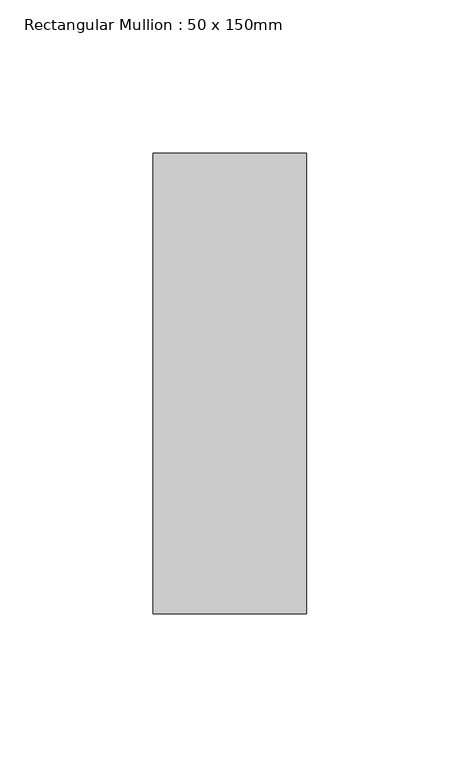
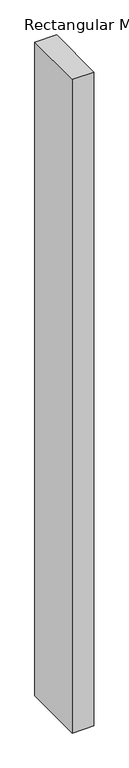
"""IFC4 building model written with IfcOpenShell, lengths in millimetres: member geometry, Rectangular Mullion : 50 x 150mm."""

from ifc_helpers import new_model, si_unit, frame, origin, place, context, project, spatial, polyline, outline, extrude, source, transform, mapped, element, save


def rectangular_mullion_50_x_150mm_319da20d(model_context):
    return source(origin(), model_context, "Body", "SweptSolid", [
        extrude(outline(polyline([(25.0, 75.0), (25.0, -75.0), (-25.0, -75.0), (-25.0, 75.0), (25.0, 75.0)])), frame((0.0, 0.0, -1600.0), z_axis=(0.0, 0.0, 1.0), x_axis=(1.0, 0.0, 0.0)), (0.0, 0.0, 1.0), 1600.0),
    ])


if __name__ == "__main__":
    model = new_model("IFC4")
    model_context = context("Model", 3, world=origin())
    ifc_project = project(units=[si_unit("LENGTHUNIT", "METRE", prefix="MILLI")], contexts=[model_context])
    site = spatial("IfcSite", under=ifc_project)
    building = spatial("IfcBuilding", under=site)
    placement = place(None, origin())
    rectangular_mullion_50_x_150mm_shape = rectangular_mullion_50_x_150mm_319da20d(model_context)
    element("IfcMember", 1, ObjectType="Rectangular Mullion : 50 x 150mm", at=placement, inside=building, context=model_context, shape_type="MappedRepresentation", body=[
        mapped(rectangular_mullion_50_x_150mm_shape, transform((0.0, 0.0, 0.0), x_axis=(1.0, 0.0, 0.0), y_axis=(0.0, 1.0, 0.0), z_axis=(0.0, 0.0, 1.0))),
    ])
    save(model, "model.ifc")
